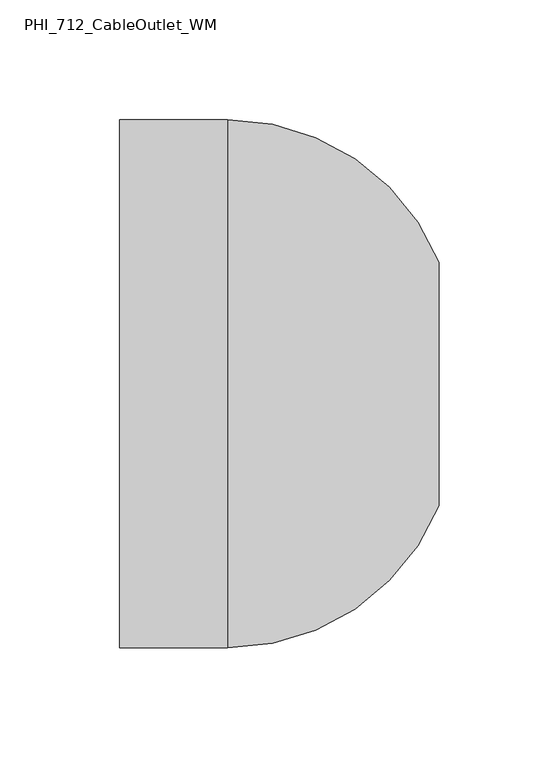
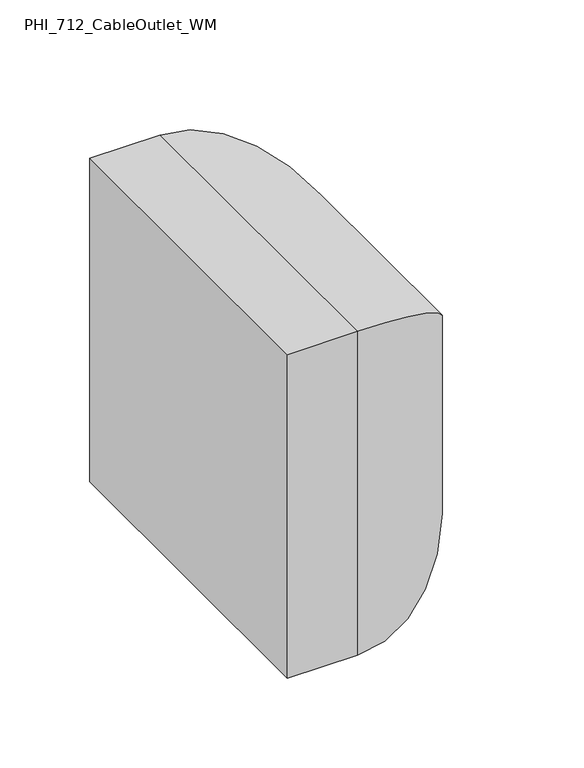
"""IFC4 building model written with IfcOpenShell, lengths in millimetres: proxy geometry, PHI_712_CableOutlet_WM."""

import ifcopenshell
import ifcopenshell.guid

model = None  # the IFC model being written
_history = None  # IfcOwnerHistory: only IFC2X3 demands one
_inside = {}  # id of a spatial element -> (the spatial element, [elements in it])
_under = {}  # id of a project, library or spatial element -> (it, [spatial elements below it])
_declared = {}  # id of a project -> (the project, [libraries it declares])
_typed = {}  # id of a type object -> (the type object, [elements of that type])
_made_of = {}  # id of a material, layer set ... -> (it, [elements and type objects made of it])


def new_model(schema):
    """Start an empty IFC model of exactly this schema.

    Asked for "IFC4X3", IfcOpenShell would pick the latest addendum, in which some entities
    have other attributes; the version numbers below select the first issue.
    IFC2X3 requires an IfcOwnerHistory on every rooted entity: one is made here for all.
    """
    global model, _history
    if schema == "IFC4X3":
        model = ifcopenshell.file(schema_version=(4, 3, 0, 0))
    else:
        model = ifcopenshell.file(schema=schema)
    _inside.clear()
    _under.clear()
    _declared.clear()
    _typed.clear()
    _made_of.clear()
    _history = None
    if model.schema == "IFC2X3":
        org = make("IfcOrganization", Name="unknown")
        user = make(
            "IfcPersonAndOrganization",
            ThePerson=make("IfcPerson", FamilyName="unknown"),
            TheOrganization=org,
        )
        app = make(
            "IfcApplication",
            ApplicationDeveloper=org,
            Version="unknown",
            ApplicationFullName="unknown",
            ApplicationIdentifier="unknown",
        )
        _history = make(
            "IfcOwnerHistory",
            OwningUser=user,
            OwningApplication=app,
            ChangeAction="ADDED",
            CreationDate=0,
        )
    return model


def make(cls, **values):
    """One entity of the class cls with the attributes given. An attribute that is None is left unset."""
    return model.create_entity(
        cls, **{name: value for name, value in values.items() if value is not None}
    )


def rooted(cls, **values):
    """An entity with a GlobalId (a new one), such as an element, a storey or a relation."""
    return make(cls, GlobalId=ifcopenshell.guid.new(), OwnerHistory=_history, **values)


def si_unit(unit_type, name, prefix=None):
    """IfcSIUnit, for example si_unit("LENGTHUNIT", "METRE", prefix="MILLI")."""
    return make("IfcSIUnit", UnitType=unit_type, Prefix=prefix, Name=name)


def assignment(units):
    """IfcUnitAssignment: the units of a project."""
    return None if units is None else make("IfcUnitAssignment", Units=units)


def point(xyz):
    """IfcCartesianPoint."""
    return None if xyz is None else make("IfcCartesianPoint", Coordinates=xyz)


def direction(xyz):
    """IfcDirection."""
    return None if xyz is None else make("IfcDirection", DirectionRatios=xyz)


def frame(location, z_axis=None, x_axis=None):
    """IfcAxis2Placement3D, a coordinate frame: its origin and axes. An axis left out is left unset."""
    return make(
        "IfcAxis2Placement3D",
        Location=point(location),
        Axis=direction(z_axis),
        RefDirection=direction(x_axis),
    )


def origin():
    """The frame at (0, 0, 0) with its axes left unset."""
    return frame((0.0, 0.0, 0.0))


def place(relative_to, where):
    """IfcLocalPlacement: puts the frame where relative to a parent placement (None: the world)."""
    return make(
        "IfcLocalPlacement", PlacementRelTo=relative_to, RelativePlacement=where
    )


def context(
    kind, dimensions, precision=None, world=None, true_north=None, identifier=None
):
    """IfcGeometricRepresentationContext, for example the 3D "Model" context."""
    return make(
        "IfcGeometricRepresentationContext",
        ContextIdentifier=identifier,
        ContextType=kind,
        CoordinateSpaceDimension=dimensions,
        Precision=precision,
        WorldCoordinateSystem=world,
        TrueNorth=true_north,
    )


def project(units=None, contexts=None):
    """IfcProject with its units and contexts."""
    return rooted(
        "IfcProject",
        Name="project",
        RepresentationContexts=contexts,
        UnitsInContext=assignment(units),
    )


def spatial(cls, under=None, at=None, **own):
    """A site, building, storey or space (cls), placed at a placement, below another one or the project."""
    s = rooted(cls, ObjectPlacement=at, **own)
    if under is not None:
        _under.setdefault(under.id(), (under, []))[1].append(s)
    return s


def ellipse_curve(where, semi_axis1, semi_axis2):
    """IfcEllipse in the frame where."""
    return make(
        "IfcEllipse", Position=where, SemiAxis1=semi_axis1, SemiAxis2=semi_axis2
    )


def shape(context_of_items, identifier, shape_type, items):
    """IfcShapeRepresentation: the items that make up one representation, for example the "Body"."""
    return make(
        "IfcShapeRepresentation",
        ContextOfItems=context_of_items,
        RepresentationIdentifier=identifier,
        RepresentationType=shape_type,
        Items=items,
    )


def source(mapping_origin, context_of_items, identifier, shape_type, items):
    """IfcRepresentationMap: a shape defined once, which mapped items show again and again."""
    return make(
        "IfcRepresentationMap",
        MappingOrigin=mapping_origin,
        MappedRepresentation=shape(context_of_items, identifier, shape_type, items),
    )


def transform(
    local_origin,
    x_axis=None,
    y_axis=None,
    z_axis=None,
    scale=None,
    scale2=None,
    scale3=None,
    uniform=True,
):
    """IfcCartesianTransformationOperator3D, or its non-uniform kind. x_axis, y_axis, z_axis: its Axis1, 2, 3."""
    if uniform:
        return make(
            "IfcCartesianTransformationOperator3D",
            Axis1=direction(x_axis),
            Axis2=direction(y_axis),
            LocalOrigin=point(local_origin),
            Scale=scale,
            Axis3=direction(z_axis),
        )
    return make(
        "IfcCartesianTransformationOperator3DnonUniform",
        Axis1=direction(x_axis),
        Axis2=direction(y_axis),
        LocalOrigin=point(local_origin),
        Scale=scale,
        Axis3=direction(z_axis),
        Scale2=scale2,
        Scale3=scale3,
    )


def mapped(mapping_source, mapping_target):
    """IfcMappedItem: shows the shape of a source again, moved by a transform."""
    return make(
        "IfcMappedItem", MappingSource=mapping_source, MappingTarget=mapping_target
    )


def made_of(thing, what):
    """Note that an element or type object is made of a material, layer set ...; save() writes the relation."""
    if what is not None:
        _made_of.setdefault(what.id(), (what, []))[1].append(thing)
    return thing


def element(
    cls,
    number,
    at=None,
    inside=None,
    cuts=None,
    type_object=None,
    material=None,
    context=None,
    identifier="Body",
    shape_type=None,
    held_by="IfcProductDefinitionShape",
    body=None,
    shapes=None,
    **own,
):
    """One element of the class cls, such as IfcWall. Its Tag is "e" and its number.

    at: its placement. inside: the storey or other place that contains it. cuts: it is an
    opening in that element (IfcRelVoidsElement). A single representation is given by context,
    identifier, shape_type and body (its items); several are given by shapes. held_by: the class
    of the entity that holds the representations. save() writes the other relations.
    """
    e = rooted(cls, Tag="e%d" % number, ObjectPlacement=at, **own)
    if body is not None:
        shapes = [shape(context, identifier, shape_type, body)]
    if shapes is not None:
        e.Representation = make(held_by, Representations=shapes)
    if inside is not None:
        _inside.setdefault(inside.id(), (inside, []))[1].append(e)
    if cuts is not None:
        rooted(
            "IfcRelVoidsElement", RelatingBuildingElement=cuts, RelatedOpeningElement=e
        )
    if type_object is not None:
        _typed.setdefault(type_object.id(), (type_object, []))[1].append(e)
    return made_of(e, material)


def aggregate(whole, parts):
    """IfcRelAggregates: a whole, such as a stair, and the parts it consists of."""
    return rooted("IfcRelAggregates", RelatingObject=whole, RelatedObjects=parts)


def save(model, path):
    """Write the relations noted so far, then the file.

    IfcRelAggregates (storeys below a building ...), IfcRelContainedInSpatialStructure (elements
    in a storey), IfcRelDefinesByType, IfcRelAssociatesMaterial and IfcRelDeclares: one each for
    every whole, place, type object, material and project.
    """
    for whole, parts in _under.values():
        aggregate(whole, parts)
    for where, things in _inside.values():
        rooted(
            "IfcRelContainedInSpatialStructure",
            RelatedElements=things,
            RelatingStructure=where,
        )
    for kind, things in _typed.values():
        rooted("IfcRelDefinesByType", RelatedObjects=things, RelatingType=kind)
    for what, things in _made_of.values():
        rooted("IfcRelAssociatesMaterial", RelatedObjects=things, RelatingMaterial=what)
    for by, libraries in _declared.values():
        rooted("IfcRelDeclares", RelatingContext=by, RelatedDefinitions=libraries)
    model.write(path)


def plane_surface(at):
    """IfcPlane: the flat surface through the origin of the frame at, square to its z axis."""
    return make("IfcPlane", Position=at)


def cylinder_surface(at, radius):
    """IfcCylindricalSurface: all points at the distance radius from the z axis of the frame at."""
    return make("IfcCylindricalSurface", Position=at, Radius=radius)


def advanced_brep(points, edges, surfaces, faces):
    """IfcAdvancedBrep: a solid bounded by faces that lie on surfaces and meet in shared edges.

    An edge is (start, end): straight between two places in points (the first is 0);
    or (start, end, curve); or (start, end, curve, False) where it runs against its curve.
    A face is (place in surfaces, loops), or (place, loops, False) where it looks against
    its surface's normal. A loop lists edges by number (the first is 1), with a minus sign
    where the edge is run from its end to its start. The first loop is the outer one.
    """
    corners = [point(p) for p in points]
    vertices = [make("IfcVertexPoint", VertexGeometry=c) for c in corners]
    made = []
    for start, end, *more in edges:
        made.append(
            make(
                "IfcEdgeCurve",
                EdgeStart=vertices[start],
                EdgeEnd=vertices[end],
                EdgeGeometry=more[0] if more else make("IfcPolyline", Points=[corners[start], corners[end]]),
                SameSense=more[1] if len(more) > 1 else True,
            )
        )
    hull = []
    for where, loops, *sense in faces:
        bounds = []
        for j, loop in enumerate(loops):
            ring = [make("IfcOrientedEdge", EdgeElement=made[abs(k) - 1], Orientation=k > 0) for k in loop]
            bounds.append(
                make(
                    "IfcFaceOuterBound" if j == 0 else "IfcFaceBound",
                    Bound=make("IfcEdgeLoop", EdgeList=ring),
                    Orientation=True,
                )
            )
        hull.append(make("IfcAdvancedFace", Bounds=bounds, FaceSurface=surfaces[where], SameSense=sense[0] if sense else True))
    return make("IfcAdvancedBrep", Outer=make("IfcClosedShell", CfsFaces=hull))


def phi_712_cableoutlet_wm_e490a390(model_context):
    return source(origin(), model_context, "Body", "AdvancedBrep", [
        advanced_brep(
        [(45.0, 110.0000001, 2430.0), (0.0, 110.0000001, 2430.0), (0.0, -110.0000001, 2430.0), (45.0, -110.0000001, 2430.0), (133.0002445, 50.7904592, 2370.7904592), (133.0002445, -50.7904592, 2370.7904592), (0.0, -110.0000001, 2210.0), (45.0, -110.0000001, 2210.0), (133.0002445, -50.7904592, 2269.2095408), (0.0, 110.0000001, 2210.0), (45.0, 110.0000001, 2210.0), (133.0002445, 50.7904592, 2269.2095408)],
        [
            (0, 1),
            (1, 2),
            (2, 3),
            (3, 0),
            (4, 0, ellipse_curve(frame((45.0, 15.0000001, 2335.0), z_axis=(0.0, -0.7071067811865475, 0.7071067811865475), x_axis=(0.0, 0.7071067811865476, 0.7071067811865474)), 134.3502884, 95.0)),
            (3, 5, ellipse_curve(frame((45.0, -15.0000001, 2335.0), z_axis=(0.0, 0.7071067811865475, 0.7071067811865475), x_axis=(0.0, 0.7071067811865476, -0.7071067811865474)), 134.3502884, 95.0)),
            (5, 4),
            (2, 6),
            (6, 7),
            (7, 3),
            (7, 8, ellipse_curve(frame((45.0, -15.0000001, 2305.0), z_axis=(0.0, -0.7071067811865475, 0.7071067811865475), x_axis=(0.0, 0.7071067811865474, 0.7071067811865476)), 134.3502884, 95.0)),
            (8, 5),
            (6, 9),
            (9, 10),
            (10, 7),
            (10, 11, ellipse_curve(frame((45.0, 15.0000001, 2305.0), z_axis=(0.0, -0.7071067811865475, -0.7071067811865475), x_axis=(0.0, -0.7071067811865476, 0.7071067811865474)), 134.3502884, 95.0)),
            (11, 8),
            (1, 9),
            (0, 10),
            (4, 11),
        ],
        [
            plane_surface(frame((0.0, 110.0000001, 2430.0), z_axis=(0.0, 0.0, 1.0), x_axis=(0.0, -1.0, 0.0))),
            cylinder_surface(frame((45.0, 110.0000001, 2335.0), z_axis=(0.0, 1.0, 0.0), x_axis=(0.0, 0.0, -1.0)), 95.0),
            plane_surface(frame((0.0, -110.0000001, 2430.0), z_axis=(0.0, -1.0, 0.0), x_axis=(0.0, 0.0, -1.0))),
            cylinder_surface(frame((45.0, -15.0000001, 2430.0), z_axis=(0.0, 0.0, 1.0), x_axis=(0.0, 1.0, 0.0)), 95.0),
            plane_surface(frame((0.0, -110.0000001, 2210.0), z_axis=(0.0, 0.0, -1.0), x_axis=(0.0, 1.0, 0.0))),
            cylinder_surface(frame((45.0, -110.0000001, 2305.0), z_axis=(0.0, -1.0, 0.0), x_axis=(0.0, 0.0, 1.0)), 95.0),
            plane_surface(frame((0.0, 1e-07, 2320.0), z_axis=(-1.0, 0.0, 0.0), x_axis=(0.0, 0.0, 1.0))),
            plane_surface(frame((0.0, 110.0000001, 2210.0), z_axis=(0.0, 1.0, 0.0), x_axis=(0.0, 0.0, 1.0))),
            cylinder_surface(frame((45.0, 15.0000001, 2210.0), z_axis=(0.0, 0.0, -1.0), x_axis=(0.0, -1.0, 0.0)), 95.0),
            plane_surface(frame((133.0002445, 50.7904592, 2269.2095408), z_axis=(1.0, 0.0, 0.0), x_axis=(0.0, 0.0, 1.0))),
        ],
        [
            (0, [[1, 2, 3, 4]]),
            (1, [[5, -4, 6, 7]]),
            (2, [[-3, 8, 9, 10]]),
            (3, [[-6, -10, 11, 12]]),
            (4, [[-9, 13, 14, 15]]),
            (5, [[-11, -15, 16, 17]]),
            (6, [[18, -13, -8, -2]]),
            (7, [[-14, -18, -1, 19]]),
            (8, [[-16, -19, -5, 20]]),
            (9, [[-12, -17, -20, -7]]),
        ],
    ),
    ])


if __name__ == "__main__":
    model = new_model("IFC4")
    model_context = context("Model", 3, world=origin())
    ifc_project = project(units=[si_unit("LENGTHUNIT", "METRE", prefix="MILLI")], contexts=[model_context])
    site = spatial("IfcSite", under=ifc_project)
    building = spatial("IfcBuilding", under=site)
    placement = place(None, origin())
    phi_712_cableoutlet_wm_shape = phi_712_cableoutlet_wm_e490a390(model_context)
    element("IfcBuildingElementProxy", 1, Name="PHI_712_CableOutlet_WM", ObjectType="PHI_712_CableOutlet_WM", at=placement, inside=building, context=model_context, shape_type="MappedRepresentation", body=[
        mapped(phi_712_cableoutlet_wm_shape, transform((0.0, 0.0, 0.0), x_axis=(1.0, 0.0, 0.0), y_axis=(0.0, 1.0, 0.0), z_axis=(0.0, 0.0, 1.0))),
    ])
    save(model, "model.ifc")
